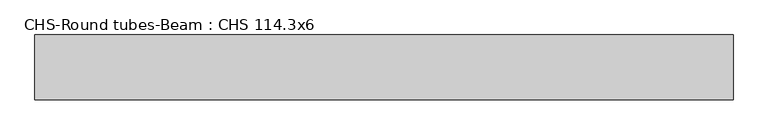
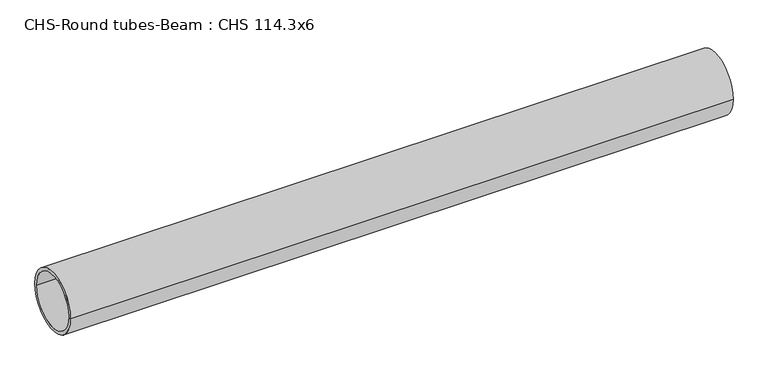
"""IFC4 building model written with IfcOpenShell, lengths in millimetres: beam geometry, CHS-Round tubes-Beam : CHS 114.3x6."""

from ifc_helpers import new_model, si_unit, point, frame, origin, origin_2d, place, context, project, spatial, circle_curve, trimmed, segment, composite_curve, outline, extrude, source, transform, mapped, element, save


def chs_round_tubes_beam_chs_114_3x6_7a94842b(model_context):
    return source(origin(), model_context, "Body", "SweptSolid", [
        extrude(outline(composite_curve([segment(trimmed(circle_curve(origin_2d(), 57.15), [point((57.15, 0.0))], [point((-57.15, 0.0))], False, "CARTESIAN"), True, "CONTINUOUS"), segment(trimmed(circle_curve(origin_2d(), 57.15), [point((-57.15, 0.0))], [point((57.15, 0.0))], False, "CARTESIAN"), True, "CONTINUOUS")], self_intersect=False), holes=[composite_curve([segment(trimmed(circle_curve(origin_2d(), 51.15), [point((51.15, 0.0))], [point((-51.15, 0.0))], True, "CARTESIAN"), True, "CONTINUOUS"), segment(trimmed(circle_curve(origin_2d(), 51.15), [point((-51.15, 0.0))], [point((51.15, 0.0))], True, "CARTESIAN"), True, "CONTINUOUS")], self_intersect=False)]), frame((-616.2036466, 0.0, 0.0), z_axis=(1.0, 0.0, 0.0), x_axis=(0.0, 1.0, 0.0)), (0.0, 0.0, 1.0), 1232.4099113),
    ])


if __name__ == "__main__":
    model = new_model("IFC4")
    model_context = context("Model", 3, world=origin())
    ifc_project = project(units=[si_unit("LENGTHUNIT", "METRE", prefix="MILLI")], contexts=[model_context])
    site = spatial("IfcSite", under=ifc_project)
    building = spatial("IfcBuilding", under=site)
    placement = place(None, origin())
    chs_round_tubes_beam_chs_114_3x6_shape = chs_round_tubes_beam_chs_114_3x6_7a94842b(model_context)
    element("IfcBeam", 1, ObjectType="CHS-Round tubes-Beam : CHS 114.3x6", at=placement, inside=building, context=model_context, shape_type="MappedRepresentation", body=[
        mapped(chs_round_tubes_beam_chs_114_3x6_shape, transform((0.0, 0.0, 0.0), x_axis=(1.0, 0.0, 0.0), y_axis=(0.0, 1.0, 0.0), z_axis=(0.0, 0.0, 1.0))),
    ])
    save(model, "model.ifc")
